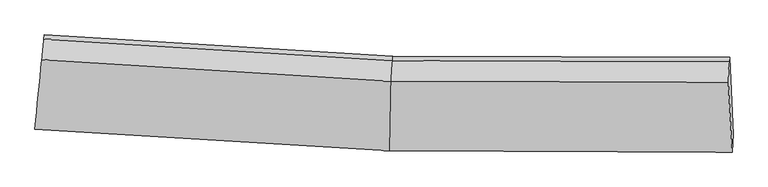
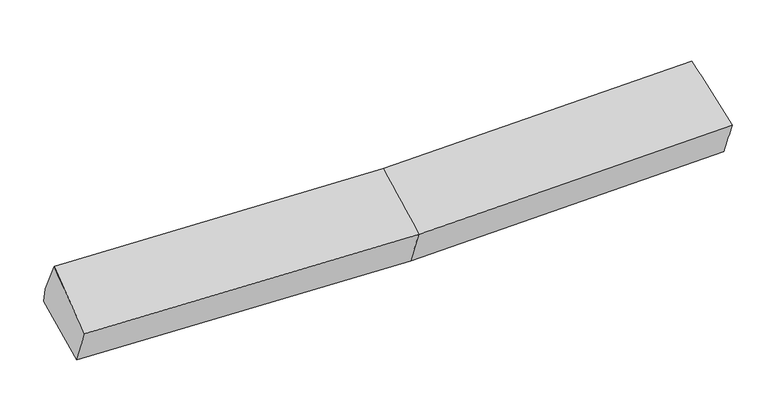
"""IFC4 building model written with IfcOpenShell, lengths in millimetres: proxy geometry."""

from ifc_helpers import new_model, si_unit, frame, origin, place, context, project, spatial, source, transform, mapped, element, save
from ifc_brep_helpers import plane_surface, spline_surface, advanced_brep


def generic_models_42ee4d31(model_context):
    return source(origin(), model_context, "Body", "AdvancedBrep", [
        advanced_brep(
        [(-3099.4806528, -1944.8164134, 2032.3723102), (-3082.3685399, -1788.548355, 1663.812441), (22.4695022, -1979.6454314, 1703.1340827), (10.0086489, -2136.2171104, 2071.751695), (-3015.6050609, -1117.9580943, 1829.3747876), (39.3637797, -1305.7998556, 1868.0773269), (-3019.9927481, -1155.7367322, 1984.1619381), (34.9760926, -1343.5784935, 2022.8644774), (-3039.2611578, -1334.4726826, 2326.0628662), (22.3912032, -1522.7507245, 2364.8483782), (2992.9225507, -1353.238397, 2088.9083209), (2986.8080193, -1532.3871566, 2431.0813628), (3020.7367071, -2145.6855469, 2139.3384476), (3028.6946467, -1989.1302023, 1770.5892063), (2997.3102378, -1315.4597592, 1934.1211704)],
        [
            (0, 1),
            (1, 2),
            (2, 3),
            (3, 0),
            (1, 4),
            (4, 5),
            (5, 1),
            (4, 6),
            (6, 7),
            (7, 5),
            (6, 8),
            (8, 9),
            (9, 7),
            (8, 0),
            (3, 9),
            (10, 11),
            (11, 12),
            (12, 13),
            (13, 14),
            (14, 10),
            (5, 2),
            (9, 11),
            (10, 7),
            (3, 12),
            (2, 13),
            (5, 14),
        ],
        [
            spline_surface(1, 1, [[(-3099.4806528, -1944.8164134, 2032.3723102), (10.0086489, -2136.2171104, 2071.751695)], [(-3082.3685399, -1788.548355, 1663.812441), (22.4695022, -1979.6454314, 1703.1340827)]], [2, 2], [2, 2], [0.0, 1.0], [0.0, 1.0]),
            plane_surface(frame((-3048.9868004, -1453.2532246, 1746.5936143), z_axis=(0.026880429664956886, 0.23708342385201456, -0.971117342361691), x_axis=(0.0962086141743737, 0.9663450836380877, 0.23858139467935038))),
            plane_surface(frame((-3017.7989045, -1136.8474132, 1906.7683629), z_axis=(0.05659710872050243, 0.9695553050371785, 0.23824205707377463), x_axis=(-0.02752779613567683, -0.2370184131554534, 0.9711150767366262))),
            spline_surface(1, 1, [[(-3019.9927481, -1155.7367322, 1984.1619381), (34.9760926, -1343.5784935, 2022.8644774)], [(-3039.2611578, -1334.4726826, 2326.0628662), (22.3912032, -1522.7507245, 2364.8483782)]], [2, 2], [2, 2], [0.0, 1.0], [0.0, 1.0]),
            spline_surface(1, 1, [[(-3039.2611578, -1334.4726826, 2326.0628662), (22.3912032, -1522.7507245, 2364.8483782)], [(-3099.4806528, -1944.8164134, 2032.3723102), (10.0086489, -2136.2171104, 2071.751695)]], [2, 2], [2, 2], [0.0, 1.0], [0.0, 1.0]),
            plane_surface(frame((3005.2944323, -1667.1802124, 2072.8077016), z_axis=(0.9985974274273356, 0.03743265118640164, 0.03744295074729984), x_axis=(-0.015829176141679564, -0.4637767119868303, 0.8858107013359912))),
            plane_surface(frame((-3051.3416319, -1468.3064555, 1967.1568686), z_axis=(-0.9949804636265778, 0.09999725573116777, -0.0037981373956607195), x_axis=(0.08855808087796829, 0.8975643100319195, 0.4318978764339271))),
            plane_surface(frame((-3082.3685399, -1788.548355, 1663.812441), z_axis=(0.02688821955611495, 0.2370376831890758, -0.9711282924503114), x_axis=(0.024345271545605996, 0.9710361117254293, 0.23768924560974652))),
            spline_surface(1, 1, [[(34.9760926, -1343.5784935, 2022.8644774), (2992.9225507, -1353.238397, 2088.9083209)], [(22.3912032, -1522.7507245, 2364.8483782), (2986.8080193, -1532.3871566, 2431.0813628)]], [2, 2], [2, 2], [0.0, 1.0], [0.0, 1.0]),
            spline_surface(1, 1, [[(22.3912032, -1522.7507245, 2364.8483782), (2986.8080193, -1532.3871566, 2431.0813628)], [(10.0086489, -2136.2171104, 2071.751695), (3020.7367071, -2145.6855469, 2139.3384476)]], [2, 2], [2, 2], [0.0, 1.0], [0.0, 1.0]),
            spline_surface(1, 1, [[(10.0086489, -2136.2171104, 2071.751695), (3020.7367071, -2145.6855469, 2139.3384476)], [(22.4695022, -1979.6454314, 1703.1340827), (3028.6946467, -1989.1302023, 1770.5892063)]], [2, 2], [2, 2], [0.0, 1.0], [0.0, 1.0]),
            spline_surface(1, 1, [[(22.4695022, -1979.6454314, 1703.1340827), (3028.6946467, -1989.1302023, 1770.5892063)], [(39.3637797, -1305.7998556, 1868.0773269), (2997.3102378, -1315.4597592, 1934.1211704)]], [2, 2], [2, 2], [0.0, 1.0], [0.0, 1.0]),
            plane_surface(frame((37.1699361, -1324.6891746, 1945.4709022), z_axis=(-0.0021201239830356605, 0.9714948899717942, 0.2370510152540762), x_axis=(-0.02752779613573043, -0.2370184131554515, 0.9711150767366252))),
        ],
        [
            (0, [[1, 2, 3, 4]]),
            (1, [[5, 6, 7]]),
            (2, [[8, 9, 10, -6]]),
            (3, [[11, 12, 13, -9]]),
            (4, [[14, -4, 15, -12]]),
            (5, [[16, 17, 18, 19, 20]]),
            (6, [[-14, -11, -8, -5, -1]]),
            (7, [[21, -2, -7]]),
            (8, [[-13, 22, -16, 23]]),
            (9, [[-15, 24, -17, -22]]),
            (10, [[-3, 25, -18, -24]]),
            (11, [[-21, 26, -19, -25]]),
            (12, [[-10, -23, -20, -26]]),
        ],
    ),
    ])


if __name__ == "__main__":
    model = new_model("IFC4")
    model_context = context("Model", 3, world=origin())
    ifc_project = project(units=[si_unit("LENGTHUNIT", "METRE", prefix="MILLI")], contexts=[model_context])
    site = spatial("IfcSite", under=ifc_project)
    building = spatial("IfcBuilding", under=site)
    placement = place(None, origin())
    generic_models_shape = generic_models_42ee4d31(model_context)
    element("IfcBuildingElementProxy", 1, Name="Generic Models", at=placement, inside=building, context=model_context, shape_type="MappedRepresentation", body=[
        mapped(generic_models_shape, transform((0.0, 0.0, 0.0), x_axis=(1.0, 0.0, 0.0), y_axis=(0.0, 1.0, 0.0), z_axis=(0.0, 0.0, 1.0))),
    ])
    save(model, "model.ifc")
